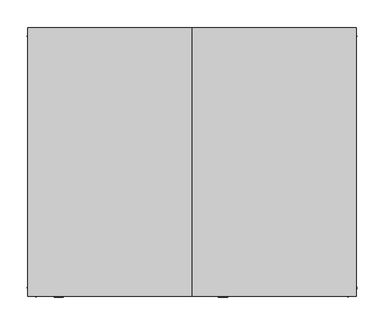
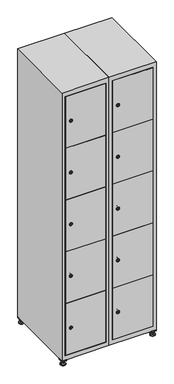
"""IFC4 building model written with IfcOpenShell, lengths in millimetres: furniture geometry."""

from ifc_helpers import new_model, si_unit, point, frame, frame_2d, origin, origin_with_axes, place, context, project, spatial, polyline, circle_curve, trimmed, segment, composite_curve, outline, extrude, faceted_brep, source, transform, mapped, element, save
from ifc_brep_helpers import plane_surface, revolved_surface, advanced_brep


def furniture_c03686c6(model_context):
    return source(origin(), model_context, "Body", "SolidModel", [
        extrude(outline(polyline([(400.0, 245.0), (400.0, 215.0), (370.0, 215.0), (370.0, 245.0), (400.0, 245.0)]), holes=[polyline([(398.0, 243.0), (372.0, 243.0), (372.0, 217.0), (398.0, 217.0), (398.0, 243.0)])]), frame((0.0, 0.0, 28.5), z_axis=(0.0, 0.0, 1.0), x_axis=(1.0, 0.0, 0.0)), (0.0, 0.0, 1.0), 6.5),
        extrude(outline(polyline([(370.0, -245.0), (370.0, -215.0), (400.0, -215.0), (400.0, -245.0), (370.0, -245.0)]), holes=[polyline([(372.0, -243.0), (398.0, -243.0), (398.0, -217.0), (372.0, -217.0), (372.0, -243.0)])]), frame((0.0, 0.0, 28.5), z_axis=(0.0, 0.0, 1.0), x_axis=(1.0, 0.0, 0.0)), (0.0, 0.0, 1.0), 6.5),
        extrude(outline(polyline([(-170.0, 245.0), (-170.0, 215.0), (-200.0, 215.0), (-200.0, 245.0), (-170.0, 245.0)]), holes=[polyline([(-172.0, 243.0), (-198.0, 243.0), (-198.0, 217.0), (-172.0, 217.0), (-172.0, 243.0)])]), frame((0.0, 0.0, 28.5), z_axis=(0.0, 0.0, 1.0), x_axis=(1.0, 0.0, 0.0)), (0.0, 0.0, 1.0), 6.5),
        extrude(outline(polyline([(-170.0, -215.0), (-170.0, -245.0), (-200.0, -245.0), (-200.0, -215.0), (-170.0, -215.0)]), holes=[polyline([(-198.0, -243.0), (-172.0, -243.0), (-172.0, -217.0), (-198.0, -217.0), (-198.0, -243.0)])]), frame((0.0, 0.0, 28.5), z_axis=(0.0, 0.0, 1.0), x_axis=(1.0, 0.0, 0.0)), (0.0, 0.0, 1.0), 6.5),
        extrude(outline(composite_curve([segment(trimmed(circle_curve(frame_2d((-185.0, 230.0)), 5.0), [point((-180.0, 230.0))], [point((-190.0, 230.0))], False, "CARTESIAN"), True, "CONTINUOUS"), segment(trimmed(circle_curve(frame_2d((-185.0, 230.0)), 5.0), [point((-190.0, 230.0))], [point((-180.0, 230.0))], False, "CARTESIAN"), True, "CONTINUOUS")], self_intersect=False)), frame((0.0, 0.0, 19.6), z_axis=(0.0, 0.0, 1.0), x_axis=(1.0, 0.0, 0.0)), (0.0, 0.0, 1.0), 15.4),
        extrude(outline(composite_curve([segment(trimmed(circle_curve(frame_2d((-185.0, -230.0)), 5.0), [point((-180.0, -230.0))], [point((-190.0, -230.0))], False, "CARTESIAN"), True, "CONTINUOUS"), segment(trimmed(circle_curve(frame_2d((-185.0, -230.0)), 5.0), [point((-190.0, -230.0))], [point((-180.0, -230.0))], False, "CARTESIAN"), True, "CONTINUOUS")], self_intersect=False)), frame((0.0, 0.0, 19.6), z_axis=(0.0, 0.0, 1.0), x_axis=(1.0, 0.0, 0.0)), (0.0, 0.0, 1.0), 15.4),
        extrude(outline(composite_curve([segment(trimmed(circle_curve(frame_2d((385.0, 230.0)), 5.0), [point((390.0, 230.0))], [point((380.0, 230.0))], False, "CARTESIAN"), True, "CONTINUOUS"), segment(trimmed(circle_curve(frame_2d((385.0, 230.0)), 5.0), [point((380.0, 230.0))], [point((390.0, 230.0))], False, "CARTESIAN"), True, "CONTINUOUS")], self_intersect=False)), frame((0.0, 0.0, 19.6), z_axis=(0.0, 0.0, 1.0), x_axis=(1.0, 0.0, 0.0)), (0.0, 0.0, 1.0), 15.4),
        extrude(outline(polyline([(373.4529946, 230.0), (379.2264973, 240.0), (390.7735027, 240.0), (396.5470054, 230.0), (390.7735027, 220.0), (379.2264973, 220.0), (373.4529946, 230.0)])), frame((0.0, 0.0, 13.6), z_axis=(0.0, 0.0, 1.0), x_axis=(1.0, 0.0, 0.0)), (0.0, 0.0, 1.0), 6.0),
        extrude(outline(composite_curve([segment(trimmed(circle_curve(frame_2d((385.0, -230.0)), 5.0), [point((390.0, -230.0))], [point((380.0, -230.0))], False, "CARTESIAN"), True, "CONTINUOUS"), segment(trimmed(circle_curve(frame_2d((385.0, -230.0)), 5.0), [point((380.0, -230.0))], [point((390.0, -230.0))], False, "CARTESIAN"), True, "CONTINUOUS")], self_intersect=False)), frame((0.0, 0.0, 19.6), z_axis=(0.0, 0.0, 1.0), x_axis=(1.0, 0.0, 0.0)), (0.0, 0.0, 1.0), 15.4),
        extrude(outline(polyline([(373.4529946, -230.0), (379.2264973, -220.0), (390.7735027, -220.0), (396.5470054, -230.0), (390.7735027, -240.0), (379.2264973, -240.0), (373.4529946, -230.0)])), frame((0.0, 0.0, 13.6), z_axis=(0.0, 0.0, 1.0), x_axis=(1.0, 0.0, 0.0)), (0.0, 0.0, 1.0), 6.0),
        extrude(outline(composite_curve([segment(trimmed(circle_curve(frame_2d((385.0, 230.0)), 5.0), [point((390.0, 230.0))], [point((380.0, 230.0))], False, "CARTESIAN"), True, "CONTINUOUS"), segment(trimmed(circle_curve(frame_2d((385.0, 230.0)), 5.0), [point((380.0, 230.0))], [point((390.0, 230.0))], False, "CARTESIAN"), True, "CONTINUOUS")], self_intersect=False)), frame((0.0, 0.0, 12.1), z_axis=(0.0, 0.0, 1.0), x_axis=(1.0, 0.0, 0.0)), (0.0, 0.0, 1.0), 1.5),
        extrude(outline(composite_curve([segment(trimmed(circle_curve(frame_2d((385.0, -230.0)), 5.0), [point((390.0, -230.0))], [point((380.0, -230.0))], False, "CARTESIAN"), True, "CONTINUOUS"), segment(trimmed(circle_curve(frame_2d((385.0, -230.0)), 5.0), [point((380.0, -230.0))], [point((390.0, -230.0))], False, "CARTESIAN"), True, "CONTINUOUS")], self_intersect=False)), frame((0.0, 0.0, 12.1), z_axis=(0.0, 0.0, 1.0), x_axis=(1.0, 0.0, 0.0)), (0.0, 0.0, 1.0), 1.5),
        extrude(outline(polyline([(-196.5470054, 230.0), (-190.7735027, 240.0), (-179.2264973, 240.0), (-173.4529946, 230.0), (-179.2264973, 220.0), (-190.7735027, 220.0), (-196.5470054, 230.0)])), frame((0.0, 0.0, 13.6), z_axis=(0.0, 0.0, 1.0), x_axis=(1.0, 0.0, 0.0)), (0.0, 0.0, 1.0), 6.0),
        extrude(outline(polyline([(-196.5470054, -230.0), (-190.7735027, -220.0), (-179.2264973, -220.0), (-173.4529946, -230.0), (-179.2264973, -240.0), (-190.7735027, -240.0), (-196.5470054, -230.0)])), frame((0.0, 0.0, 13.6), z_axis=(0.0, 0.0, 1.0), x_axis=(1.0, 0.0, 0.0)), (0.0, 0.0, 1.0), 6.0),
        extrude(outline(composite_curve([segment(trimmed(circle_curve(frame_2d((-185.0, 230.0)), 5.0), [point((-185.0, 235.0))], [point((-185.0, 225.0))], False, "CARTESIAN"), True, "CONTINUOUS"), segment(trimmed(circle_curve(frame_2d((-185.0, 230.0)), 5.0), [point((-185.0, 225.0))], [point((-185.0, 235.0))], False, "CARTESIAN"), True, "CONTINUOUS")], self_intersect=False)), frame((0.0, 0.0, 12.1), z_axis=(0.0, 0.0, 1.0), x_axis=(1.0, 0.0, 0.0)), (0.0, 0.0, 1.0), 1.5),
        extrude(outline(composite_curve([segment(trimmed(circle_curve(frame_2d((-185.0, -230.0)), 5.0), [point((-180.0, -230.0))], [point((-190.0, -230.0))], False, "CARTESIAN"), True, "CONTINUOUS"), segment(trimmed(circle_curve(frame_2d((-185.0, -230.0)), 5.0), [point((-190.0, -230.0))], [point((-180.0, -230.0))], False, "CARTESIAN"), True, "CONTINUOUS")], self_intersect=False)), frame((0.0, 0.0, 12.1), z_axis=(0.0, 0.0, 1.0), x_axis=(1.0, 0.0, 0.0)), (0.0, 0.0, 1.0), 1.5),
        extrude(outline(composite_curve([segment(trimmed(circle_curve(frame_2d((385.0, 230.0)), 15.75), [point((400.75, 230.0))], [point((369.25, 230.0))], False, "CARTESIAN"), True, "CONTINUOUS"), segment(trimmed(circle_curve(frame_2d((385.0, 230.0)), 15.75), [point((369.25, 230.0))], [point((400.75, 230.0))], False, "CARTESIAN"), True, "CONTINUOUS")], self_intersect=False)), origin_with_axes(), (0.0, 0.0, 1.0), 5.1),
        extrude(outline(composite_curve([segment(trimmed(circle_curve(frame_2d((385.0, -230.0)), 15.75), [point((385.0, -214.25))], [point((385.0, -245.75))], False, "CARTESIAN"), True, "CONTINUOUS"), segment(trimmed(circle_curve(frame_2d((385.0, -230.0)), 15.75), [point((385.0, -245.75))], [point((385.0, -214.25))], False, "CARTESIAN"), True, "CONTINUOUS")], self_intersect=False)), origin_with_axes(), (0.0, 0.0, 1.0), 5.1),
        extrude(outline(composite_curve([segment(trimmed(circle_curve(frame_2d((-185.0, -230.0)), 15.75), [point((-169.25, -230.0))], [point((-200.75, -230.0))], False, "CARTESIAN"), True, "CONTINUOUS"), segment(trimmed(circle_curve(frame_2d((-185.0, -230.0)), 15.75), [point((-200.75, -230.0))], [point((-169.25, -230.0))], False, "CARTESIAN"), True, "CONTINUOUS")], self_intersect=False)), origin_with_axes(), (0.0, 0.0, 1.0), 5.1),
        extrude(outline(composite_curve([segment(trimmed(circle_curve(frame_2d((-185.0, 230.0)), 15.75), [point((-169.25, 230.0))], [point((-200.75, 230.0))], False, "CARTESIAN"), True, "CONTINUOUS"), segment(trimmed(circle_curve(frame_2d((-185.0, 230.0)), 15.75), [point((-200.75, 230.0))], [point((-169.25, 230.0))], False, "CARTESIAN"), True, "CONTINUOUS")], self_intersect=False)), origin_with_axes(), (0.0, 0.0, 1.0), 5.1),
        advanced_brep(
        [(-185.0, 245.75, 5.1), (-185.0, 214.25, 5.1), (-185.0, 239.5, 12.1), (-185.0, 220.5, 12.1)],
        [
            (0, 1, circle_curve(frame((-185.0, 230.0, 5.1), z_axis=(0.0, 0.0, -1.0), x_axis=(0.0, 1.0, 0.0)), 15.75)),
            (1, 0, circle_curve(frame((-185.0, 230.0, 5.1), z_axis=(0.0, 0.0, -1.0), x_axis=(0.0, -1.0, 0.0)), 15.75)),
            (2, 3, circle_curve(frame((-185.0, 230.0, 12.1), z_axis=(0.0, 0.0, 1.0), x_axis=(0.0, -1.0, 0.0)), 9.5)),
            (3, 2, circle_curve(frame((-185.0, 230.0, 12.1), z_axis=(0.0, 0.0, 1.0), x_axis=(0.0, 1.0, 0.0)), 9.5)),
            (3, 1),
            (0, 2),
        ],
        [
            plane_surface(frame((-185.0, 230.0, 5.1), z_axis=(0.0, 0.0, -1.0), x_axis=(1.0, 0.0, 0.0))),
            plane_surface(frame((-185.0, 230.0, 12.1), z_axis=(0.0, 0.0, 1.0), x_axis=(1.0, 0.0, 0.0))),
            revolved_surface(polyline([(-185.0, 220.5, 12.099999999999998), (-185.0, 214.25, 5.099999999999998)]), (-185.0, 230.0, 22.74), (0.0, 0.0, -1.0)),
            revolved_surface(polyline([(-185.0, 239.5, 12.099999999999998), (-185.0, 245.75, 5.099999999999998)]), (-185.0, 230.0, 22.74), (0.0, 0.0, -1.0)),
        ],
        [
            (0, [[1, 2]]),
            (1, [[3, 4]]),
            (2, [[-4, 5, -1, 6]]),
            (3, [[-3, -6, -2, -5]]),
        ],
    ),
        advanced_brep(
        [(385.0, 245.75, 5.1), (385.0, 214.25, 5.1), (385.0, 239.5, 12.1), (385.0, 220.5, 12.1)],
        [
            (0, 1, circle_curve(frame((385.0, 230.0, 5.1), z_axis=(0.0, 0.0, -1.0), x_axis=(0.0, 1.0, 0.0)), 15.75)),
            (1, 0, circle_curve(frame((385.0, 230.0, 5.1), z_axis=(0.0, 0.0, -1.0), x_axis=(0.0, -1.0, 0.0)), 15.75)),
            (2, 3, circle_curve(frame((385.0, 230.0, 12.1), z_axis=(0.0, 0.0, 1.0), x_axis=(0.0, -1.0, 0.0)), 9.5)),
            (3, 2, circle_curve(frame((385.0, 230.0, 12.1), z_axis=(0.0, 0.0, 1.0), x_axis=(0.0, 1.0, 0.0)), 9.5)),
            (3, 1),
            (0, 2),
        ],
        [
            plane_surface(frame((385.0, 230.0, 5.1), z_axis=(0.0, 0.0, -1.0), x_axis=(1.0, 0.0, 0.0))),
            plane_surface(frame((385.0, 230.0, 12.1), z_axis=(0.0, 0.0, 1.0), x_axis=(1.0, 0.0, 0.0))),
            revolved_surface(polyline([(385.0, 220.5, 12.099999999999998), (385.0, 214.25, 5.099999999999998)]), (385.0, 230.0, 22.74), (0.0, 0.0, -1.0)),
            revolved_surface(polyline([(385.0, 239.5, 12.099999999999998), (385.0, 245.75, 5.099999999999998)]), (385.0, 230.0, 22.74), (0.0, 0.0, -1.0)),
        ],
        [
            (0, [[1, 2]]),
            (1, [[3, 4]]),
            (2, [[-4, 5, -1, 6]]),
            (3, [[-3, -6, -2, -5]]),
        ],
    ),
        advanced_brep(
        [(394.5, -230.0, 12.1), (375.5, -230.0, 12.1), (400.75, -230.0, 5.1), (369.25, -230.0, 5.1)],
        [
            (0, 1, circle_curve(frame((385.0, -230.0, 12.1), z_axis=(0.0, 0.0, 1.0), x_axis=(1.0, 0.0, 0.0)), 9.5)),
            (1, 0, circle_curve(frame((385.0, -230.0, 12.1), z_axis=(0.0, 0.0, 1.0), x_axis=(-1.0, 0.0, 0.0)), 9.5)),
            (2, 3, circle_curve(frame((385.0, -230.0, 5.1), z_axis=(0.0, 0.0, -1.0), x_axis=(-1.0, 0.0, 0.0)), 15.75)),
            (3, 2, circle_curve(frame((385.0, -230.0, 5.1), z_axis=(0.0, 0.0, -1.0), x_axis=(1.0, 0.0, 0.0)), 15.75)),
            (3, 1),
            (0, 2),
        ],
        [
            plane_surface(frame((385.0, -230.0, 12.1), z_axis=(0.0, 0.0, 1.0), x_axis=(0.0, 1.0, 0.0))),
            plane_surface(frame((385.0, -230.0, 5.1), z_axis=(0.0, 0.0, -1.0), x_axis=(0.0, 1.0, 0.0))),
            revolved_surface(polyline([(394.5, -230.0, 12.099999999999998), (400.75, -230.0, 5.099999999999998)]), (385.0, -230.0, 22.74), (0.0, 0.0, -1.0)),
            revolved_surface(polyline([(375.5, -230.0, 12.099999999999998), (369.25, -230.0, 5.099999999999998)]), (385.0, -230.0, 22.74), (0.0, 0.0, -1.0)),
        ],
        [
            (0, [[1, 2]]),
            (1, [[3, 4]]),
            (2, [[-4, 5, -1, 6]]),
            (3, [[-3, -6, -2, -5]]),
        ],
    ),
        advanced_brep(
        [(-175.5, -230.0, 12.1), (-194.5, -230.0, 12.1), (-169.25, -230.0, 5.1), (-200.75, -230.0, 5.1)],
        [
            (0, 1, circle_curve(frame((-185.0, -230.0, 12.1), z_axis=(0.0, 0.0, 1.0), x_axis=(1.0, 0.0, 0.0)), 9.5)),
            (1, 0, circle_curve(frame((-185.0, -230.0, 12.1), z_axis=(0.0, 0.0, 1.0), x_axis=(-1.0, 0.0, 0.0)), 9.5)),
            (2, 3, circle_curve(frame((-185.0, -230.0, 5.1), z_axis=(0.0, 0.0, -1.0), x_axis=(-1.0, 0.0, 0.0)), 15.75)),
            (3, 2, circle_curve(frame((-185.0, -230.0, 5.1), z_axis=(0.0, 0.0, -1.0), x_axis=(1.0, 0.0, 0.0)), 15.75)),
            (3, 1),
            (0, 2),
        ],
        [
            plane_surface(frame((-185.0, -230.0, 12.1), z_axis=(0.0, 0.0, 1.0), x_axis=(0.0, 1.0, 0.0))),
            plane_surface(frame((-185.0, -230.0, 5.1), z_axis=(0.0, 0.0, -1.0), x_axis=(0.0, 1.0, 0.0))),
            revolved_surface(polyline([(-175.5, -230.0, 12.099999999999998), (-169.25, -230.0, 5.099999999999998)]), (-185.0, -230.0, 22.74), (0.0, 0.0, -1.0)),
            revolved_surface(polyline([(-194.5, -230.0, 12.099999999999998), (-200.75, -230.0, 5.099999999999998)]), (-185.0, -230.0, 22.74), (0.0, 0.0, -1.0)),
        ],
        [
            (0, [[1, 2]]),
            (1, [[3, 4]]),
            (2, [[-4, 5, -1, 6]]),
            (3, [[-3, -6, -2, -5]]),
        ],
    ),
        extrude(outline(composite_curve([segment(trimmed(circle_curve(frame_2d((239.96, 129.6010534)), 7.0), [point((246.96, 129.6010534))], [point((232.96, 129.6010534))], False, "CARTESIAN"), True, "CONTINUOUS"), segment(polyline([(232.96, 129.6010534), (232.96, 157.6010534)]), True, "CONTINUOUS"), segment(trimmed(circle_curve(frame_2d((239.96, 157.6010534)), 7.0), [point((232.96, 157.6010534))], [point((246.96, 157.6010534))], False, "CARTESIAN"), True, "CONTINUOUS"), segment(polyline([(246.96, 157.6010534), (246.96, 129.6010534)]), True, "CONTINUOUS")], self_intersect=False)), frame((0.0, -227.0, 0.0), z_axis=(0.0, 1.0, 0.0), x_axis=(0.0, 0.0, 1.0)), (0.0, 0.0, 1.0), 2.0),
        advanced_brep(
        [(164.9, -247.2, 239.96), (147.9, -247.2, 239.96), (151.4, -247.2, 238.71), (151.4, -247.2, 241.21), (161.4, -247.2, 241.21), (161.4, -247.2, 238.71), (166.9, -245.0, 239.96), (145.9, -245.0, 239.96), (151.4, -245.0, 241.21), (151.4, -245.0, 238.71), (161.4, -245.0, 238.71), (161.4, -245.0, 241.21)],
        [
            (0, 1, circle_curve(frame((156.4, -247.2, 239.96), z_axis=(0.0, -1.0, 0.0), x_axis=(1.0, 0.0, 0.0)), 8.5)),
            (1, 0, circle_curve(frame((156.4, -247.2, 239.96), z_axis=(0.0, -1.0, 0.0), x_axis=(-1.0, 0.0, 0.0)), 8.5)),
            (2, 3),
            (3, 4),
            (4, 5),
            (5, 2),
            (6, 7, circle_curve(frame((156.4, -245.0, 239.96), z_axis=(0.0, 1.0, 0.0), x_axis=(-1.0, 0.0, 0.0)), 10.5)),
            (7, 6, circle_curve(frame((156.4, -245.0, 239.96), z_axis=(0.0, 1.0, 0.0), x_axis=(1.0, 0.0, 0.0)), 10.5)),
            (8, 9),
            (9, 10),
            (10, 11),
            (11, 8),
            (0, 6),
            (7, 1),
            (8, 3),
            (2, 9),
            (11, 4),
            (10, 5),
        ],
        [
            plane_surface(frame((156.4, -247.2, 239.96), z_axis=(0.0, -1.0, 0.0), x_axis=(0.0, 0.0, 1.0))),
            plane_surface(frame((156.4, -245.0, 239.96), z_axis=(0.0, 1.0, 0.0), x_axis=(0.0, 0.0, 1.0))),
            revolved_surface(polyline([(164.9, -247.2, 239.96), (166.9, -245.0, 239.96)]), (156.4, -256.55, 239.96), (0.0, 1.0, 0.0)),
            revolved_surface(polyline([(147.9, -247.2, 239.96), (145.9, -245.0, 239.96)]), (156.4, -256.55, 239.96), (0.0, 1.0, 0.0)),
            plane_surface(frame((151.4, -245.0, 238.71), z_axis=(1.0, 0.0, 0.0), x_axis=(0.0, -1.0, 0.0))),
            plane_surface(frame((151.4, -245.0, 241.21), z_axis=(0.0, 0.0, -1.0), x_axis=(0.0, -1.0, 0.0))),
            plane_surface(frame((161.4, -245.0, 241.21), z_axis=(-1.0, 0.0, 0.0), x_axis=(0.0, -1.0, 0.0))),
            plane_surface(frame((161.4, -245.0, 238.71), z_axis=(0.0, 0.0, 1.0), x_axis=(0.0, -1.0, 0.0))),
        ],
        [
            (0, [[1, 2], [3, 4, 5, 6]]),
            (1, [[7, 8], [9, 10, 11, 12]]),
            (2, [[-1, 13, -8, 14]]),
            (3, [[-2, -14, -7, -13]]),
            (4, [[15, -3, 16, -9]]),
            (5, [[-15, -12, 17, -4]]),
            (6, [[-17, -11, 18, -5]]),
            (7, [[-16, -6, -18, -10]]),
        ],
    ),
        extrude(outline(composite_curve([segment(trimmed(circle_curve(frame_2d((587.48, 129.6010534)), 7.0), [point((594.48, 129.6010534))], [point((580.48, 129.6010534))], False, "CARTESIAN"), True, "CONTINUOUS"), segment(polyline([(580.48, 129.6010534), (580.48, 157.6010534)]), True, "CONTINUOUS"), segment(trimmed(circle_curve(frame_2d((587.48, 157.6010534)), 7.0), [point((580.48, 157.6010534))], [point((594.48, 157.6010534))], False, "CARTESIAN"), True, "CONTINUOUS"), segment(polyline([(594.48, 157.6010534), (594.48, 129.6010534)]), True, "CONTINUOUS")], self_intersect=False)), frame((0.0, -227.0, 0.0), z_axis=(0.0, 1.0, 0.0), x_axis=(0.0, 0.0, 1.0)), (0.0, 0.0, 1.0), 2.0),
        advanced_brep(
        [(164.9, -247.2, 587.48), (147.9, -247.2, 587.48), (151.4, -247.2, 586.23), (151.4, -247.2, 588.73), (161.4, -247.2, 588.73), (161.4, -247.2, 586.23), (166.9, -245.0, 587.48), (145.9, -245.0, 587.48), (151.4, -245.0, 588.73), (151.4, -245.0, 586.23), (161.4, -245.0, 586.23), (161.4, -245.0, 588.73)],
        [
            (0, 1, circle_curve(frame((156.4, -247.2, 587.48), z_axis=(0.0, -1.0, 0.0), x_axis=(1.0, 0.0, 0.0)), 8.5)),
            (1, 0, circle_curve(frame((156.4, -247.2, 587.48), z_axis=(0.0, -1.0, 0.0), x_axis=(-1.0, 0.0, 0.0)), 8.5)),
            (2, 3),
            (3, 4),
            (4, 5),
            (5, 2),
            (6, 7, circle_curve(frame((156.4, -245.0, 587.48), z_axis=(0.0, 1.0, 0.0), x_axis=(-1.0, 0.0, 0.0)), 10.5)),
            (7, 6, circle_curve(frame((156.4, -245.0, 587.48), z_axis=(0.0, 1.0, 0.0), x_axis=(1.0, 0.0, 0.0)), 10.5)),
            (8, 9),
            (9, 10),
            (10, 11),
            (11, 8),
            (0, 6),
            (7, 1),
            (8, 3),
            (2, 9),
            (11, 4),
            (10, 5),
        ],
        [
            plane_surface(frame((156.4, -247.2, 587.48), z_axis=(0.0, -1.0, 0.0), x_axis=(0.0, 0.0, 1.0))),
            plane_surface(frame((156.4, -245.0, 587.48), z_axis=(0.0, 1.0, 0.0), x_axis=(0.0, 0.0, 1.0))),
            revolved_surface(polyline([(164.9, -247.2, 587.48), (166.9, -245.0, 587.48)]), (156.4, -256.55, 587.48), (0.0, 1.0, 0.0)),
            revolved_surface(polyline([(147.9, -247.2, 587.48), (145.9, -245.0, 587.48)]), (156.4, -256.55, 587.48), (0.0, 1.0, 0.0)),
            plane_surface(frame((151.4, -245.0, 586.23), z_axis=(1.0, 0.0, 0.0), x_axis=(0.0, -1.0, 0.0))),
            plane_surface(frame((151.4, -245.0, 588.73), z_axis=(0.0, 0.0, -1.0), x_axis=(0.0, -1.0, 0.0))),
            plane_surface(frame((161.4, -245.0, 588.73), z_axis=(-1.0, 0.0, 0.0), x_axis=(0.0, -1.0, 0.0))),
            plane_surface(frame((161.4, -245.0, 586.23), z_axis=(0.0, 0.0, 1.0), x_axis=(0.0, -1.0, 0.0))),
        ],
        [
            (0, [[1, 2], [3, 4, 5, 6]]),
            (1, [[7, 8], [9, 10, 11, 12]]),
            (2, [[-1, 13, -8, 14]]),
            (3, [[-2, -14, -7, -13]]),
            (4, [[15, -3, 16, -9]]),
            (5, [[-15, -12, 17, -4]]),
            (6, [[-17, -11, 18, -5]]),
            (7, [[-16, -6, -18, -10]]),
        ],
    ),
        extrude(outline(composite_curve([segment(trimmed(circle_curve(frame_2d((935.0, 129.6010534)), 7.0), [point((942.0, 129.6010534))], [point((928.0, 129.6010534))], False, "CARTESIAN"), True, "CONTINUOUS"), segment(polyline([(928.0, 129.6010534), (928.0, 157.6010534)]), True, "CONTINUOUS"), segment(trimmed(circle_curve(frame_2d((935.0, 157.6010534)), 7.0), [point((928.0, 157.6010534))], [point((942.0, 157.6010534))], False, "CARTESIAN"), True, "CONTINUOUS"), segment(polyline([(942.0, 157.6010534), (942.0, 129.6010534)]), True, "CONTINUOUS")], self_intersect=False)), frame((0.0, -227.0, 0.0), z_axis=(0.0, 1.0, 0.0), x_axis=(0.0, 0.0, 1.0)), (0.0, 0.0, 1.0), 2.0),
        advanced_brep(
        [(164.9, -247.2, 935.0), (147.9, -247.2, 935.0), (151.4, -247.2, 933.75), (151.4, -247.2, 936.25), (161.4, -247.2, 936.25), (161.4, -247.2, 933.75), (166.9, -245.0, 935.0), (145.9, -245.0, 935.0), (151.4, -245.0, 936.25), (151.4, -245.0, 933.75), (161.4, -245.0, 933.75), (161.4, -245.0, 936.25)],
        [
            (0, 1, circle_curve(frame((156.4, -247.2, 935.0), z_axis=(0.0, -1.0, 0.0), x_axis=(1.0, 0.0, 0.0)), 8.5)),
            (1, 0, circle_curve(frame((156.4, -247.2, 935.0), z_axis=(0.0, -1.0, 0.0), x_axis=(-1.0, 0.0, 0.0)), 8.5)),
            (2, 3),
            (3, 4),
            (4, 5),
            (5, 2),
            (6, 7, circle_curve(frame((156.4, -245.0, 935.0), z_axis=(0.0, 1.0, 0.0), x_axis=(-1.0, 0.0, 0.0)), 10.5)),
            (7, 6, circle_curve(frame((156.4, -245.0, 935.0), z_axis=(0.0, 1.0, 0.0), x_axis=(1.0, 0.0, 0.0)), 10.5)),
            (8, 9),
            (9, 10),
            (10, 11),
            (11, 8),
            (0, 6),
            (7, 1),
            (8, 3),
            (2, 9),
            (11, 4),
            (10, 5),
        ],
        [
            plane_surface(frame((156.4, -247.2, 935.0), z_axis=(0.0, -1.0, 0.0), x_axis=(0.0, 0.0, 1.0))),
            plane_surface(frame((156.4, -245.0, 935.0), z_axis=(0.0, 1.0, 0.0), x_axis=(0.0, 0.0, 1.0))),
            revolved_surface(polyline([(164.9, -247.2, 935.0), (166.9, -245.0, 935.0)]), (156.4, -256.55, 935.0), (0.0, 1.0, 0.0)),
            revolved_surface(polyline([(147.9, -247.2, 935.0), (145.9, -245.0, 935.0)]), (156.4, -256.55, 935.0), (0.0, 1.0, 0.0)),
            plane_surface(frame((151.4, -245.0, 933.75), z_axis=(1.0, 0.0, 0.0), x_axis=(0.0, -1.0, 0.0))),
            plane_surface(frame((151.4, -245.0, 936.25), z_axis=(0.0, 0.0, -1.0), x_axis=(0.0, -1.0, 0.0))),
            plane_surface(frame((161.4, -245.0, 936.25), z_axis=(-1.0, 0.0, 0.0), x_axis=(0.0, -1.0, 0.0))),
            plane_surface(frame((161.4, -245.0, 933.75), z_axis=(0.0, 0.0, 1.0), x_axis=(0.0, -1.0, 0.0))),
        ],
        [
            (0, [[1, 2], [3, 4, 5, 6]]),
            (1, [[7, 8], [9, 10, 11, 12]]),
            (2, [[-1, 13, -8, 14]]),
            (3, [[-2, -14, -7, -13]]),
            (4, [[15, -3, 16, -9]]),
            (5, [[-15, -12, 17, -4]]),
            (6, [[-17, -11, 18, -5]]),
            (7, [[-16, -6, -18, -10]]),
        ],
    ),
        extrude(outline(composite_curve([segment(trimmed(circle_curve(frame_2d((1282.52, 129.6010534)), 7.0), [point((1289.52, 129.6010534))], [point((1275.52, 129.6010534))], False, "CARTESIAN"), True, "CONTINUOUS"), segment(polyline([(1275.52, 129.6010534), (1275.52, 157.6010534)]), True, "CONTINUOUS"), segment(trimmed(circle_curve(frame_2d((1282.52, 157.6010534)), 7.0), [point((1275.52, 157.6010534))], [point((1289.52, 157.6010534))], False, "CARTESIAN"), True, "CONTINUOUS"), segment(polyline([(1289.52, 157.6010534), (1289.52, 129.6010534)]), True, "CONTINUOUS")], self_intersect=False)), frame((0.0, -227.0, 0.0), z_axis=(0.0, 1.0, 0.0), x_axis=(0.0, 0.0, 1.0)), (0.0, 0.0, 1.0), 2.0),
        advanced_brep(
        [(164.9, -247.2, 1282.52), (147.9, -247.2, 1282.52), (151.4, -247.2, 1281.27), (151.4, -247.2, 1283.77), (161.4, -247.2, 1283.77), (161.4, -247.2, 1281.27), (166.9, -245.0, 1282.52), (145.9, -245.0, 1282.52), (151.4, -245.0, 1283.77), (151.4, -245.0, 1281.27), (161.4, -245.0, 1281.27), (161.4, -245.0, 1283.77)],
        [
            (0, 1, circle_curve(frame((156.4, -247.2, 1282.52), z_axis=(0.0, -1.0, 0.0), x_axis=(1.0, 0.0, 0.0)), 8.5)),
            (1, 0, circle_curve(frame((156.4, -247.2, 1282.52), z_axis=(0.0, -1.0, 0.0), x_axis=(-1.0, 0.0, 0.0)), 8.5)),
            (2, 3),
            (3, 4),
            (4, 5),
            (5, 2),
            (6, 7, circle_curve(frame((156.4, -245.0, 1282.52), z_axis=(0.0, 1.0, 0.0), x_axis=(-1.0, 0.0, 0.0)), 10.5)),
            (7, 6, circle_curve(frame((156.4, -245.0, 1282.52), z_axis=(0.0, 1.0, 0.0), x_axis=(1.0, 0.0, 0.0)), 10.5)),
            (8, 9),
            (9, 10),
            (10, 11),
            (11, 8),
            (0, 6),
            (7, 1),
            (8, 3),
            (2, 9),
            (11, 4),
            (10, 5),
        ],
        [
            plane_surface(frame((156.4, -247.2, 1282.52), z_axis=(0.0, -1.0, 0.0), x_axis=(0.0, 0.0, 1.0))),
            plane_surface(frame((156.4, -245.0, 1282.52), z_axis=(0.0, 1.0, 0.0), x_axis=(0.0, 0.0, 1.0))),
            revolved_surface(polyline([(164.9, -247.2, 1282.52), (166.9, -245.0, 1282.52)]), (156.4, -256.55, 1282.52), (0.0, 1.0, 0.0)),
            revolved_surface(polyline([(147.9, -247.2, 1282.52), (145.9, -245.0, 1282.52)]), (156.4, -256.55, 1282.52), (0.0, 1.0, 0.0)),
            plane_surface(frame((151.4, -245.0, 1281.27), z_axis=(1.0, 0.0, 0.0), x_axis=(0.0, -1.0, 0.0))),
            plane_surface(frame((151.4, -245.0, 1283.77), z_axis=(0.0, 0.0, -1.0), x_axis=(0.0, -1.0, 0.0))),
            plane_surface(frame((161.4, -245.0, 1283.77), z_axis=(-1.0, 0.0, 0.0), x_axis=(0.0, -1.0, 0.0))),
            plane_surface(frame((161.4, -245.0, 1281.27), z_axis=(0.0, 0.0, 1.0), x_axis=(0.0, -1.0, 0.0))),
        ],
        [
            (0, [[1, 2], [3, 4, 5, 6]]),
            (1, [[7, 8], [9, 10, 11, 12]]),
            (2, [[-1, 13, -8, 14]]),
            (3, [[-2, -14, -7, -13]]),
            (4, [[15, -3, 16, -9]]),
            (5, [[-15, -12, 17, -4]]),
            (6, [[-17, -11, 18, -5]]),
            (7, [[-16, -6, -18, -10]]),
        ],
    ),
        extrude(outline(composite_curve([segment(trimmed(circle_curve(frame_2d((1630.04, 129.6010534)), 7.0), [point((1637.04, 129.6010534))], [point((1623.04, 129.6010534))], False, "CARTESIAN"), True, "CONTINUOUS"), segment(polyline([(1623.04, 129.6010534), (1623.04, 157.6010534)]), True, "CONTINUOUS"), segment(trimmed(circle_curve(frame_2d((1630.04, 157.6010534)), 7.0), [point((1623.04, 157.6010534))], [point((1637.04, 157.6010534))], False, "CARTESIAN"), True, "CONTINUOUS"), segment(polyline([(1637.04, 157.6010534), (1637.04, 129.6010534)]), True, "CONTINUOUS")], self_intersect=False)), frame((0.0, -227.0, 0.0), z_axis=(0.0, 1.0, 0.0), x_axis=(0.0, 0.0, 1.0)), (0.0, 0.0, 1.0), 2.0),
        advanced_brep(
        [(164.9, -247.2, 1630.04), (147.9, -247.2, 1630.04), (151.4, -247.2, 1628.79), (151.4, -247.2, 1631.29), (161.4, -247.2, 1631.29), (161.4, -247.2, 1628.79), (166.9, -245.0, 1630.04), (145.9, -245.0, 1630.04), (151.4, -245.0, 1631.29), (151.4, -245.0, 1628.79), (161.4, -245.0, 1628.79), (161.4, -245.0, 1631.29)],
        [
            (0, 1, circle_curve(frame((156.4, -247.2, 1630.04), z_axis=(0.0, -1.0, 0.0), x_axis=(1.0, 0.0, 0.0)), 8.5)),
            (1, 0, circle_curve(frame((156.4, -247.2, 1630.04), z_axis=(0.0, -1.0, 0.0), x_axis=(-1.0, 0.0, 0.0)), 8.5)),
            (2, 3),
            (3, 4),
            (4, 5),
            (5, 2),
            (6, 7, circle_curve(frame((156.4, -245.0, 1630.04), z_axis=(0.0, 1.0, 0.0), x_axis=(-1.0, 0.0, 0.0)), 10.5)),
            (7, 6, circle_curve(frame((156.4, -245.0, 1630.04), z_axis=(0.0, 1.0, 0.0), x_axis=(1.0, 0.0, 0.0)), 10.5)),
            (8, 9),
            (9, 10),
            (10, 11),
            (11, 8),
            (0, 6),
            (7, 1),
            (8, 3),
            (2, 9),
            (11, 4),
            (10, 5),
        ],
        [
            plane_surface(frame((156.4, -247.2, 1630.04), z_axis=(0.0, -1.0, 0.0), x_axis=(0.0, 0.0, 1.0))),
            plane_surface(frame((156.4, -245.0, 1630.04), z_axis=(0.0, 1.0, 0.0), x_axis=(0.0, 0.0, 1.0))),
            revolved_surface(polyline([(164.9, -247.2, 1630.04), (166.9, -245.0, 1630.04)]), (156.4, -256.55, 1630.04), (0.0, 1.0, 0.0)),
            revolved_surface(polyline([(147.9, -247.2, 1630.04), (145.9, -245.0, 1630.04)]), (156.4, -256.55, 1630.04), (0.0, 1.0, 0.0)),
            plane_surface(frame((151.4, -245.0, 1628.79), z_axis=(1.0, 0.0, 0.0), x_axis=(0.0, -1.0, 0.0))),
            plane_surface(frame((151.4, -245.0, 1631.29), z_axis=(0.0, 0.0, -1.0), x_axis=(0.0, -1.0, 0.0))),
            plane_surface(frame((161.4, -245.0, 1631.29), z_axis=(-1.0, 0.0, 0.0), x_axis=(0.0, -1.0, 0.0))),
            plane_surface(frame((161.4, -245.0, 1628.79), z_axis=(0.0, 0.0, 1.0), x_axis=(0.0, -1.0, 0.0))),
        ],
        [
            (0, [[1, 2], [3, 4, 5, 6]]),
            (1, [[7, 8], [9, 10, 11, 12]]),
            (2, [[-1, 13, -8, 14]]),
            (3, [[-2, -14, -7, -13]]),
            (4, [[15, -3, 16, -9]]),
            (5, [[-15, -12, 17, -4]]),
            (6, [[-17, -11, 18, -5]]),
            (7, [[-16, -6, -18, -10]]),
        ],
    ),
        extrude(outline(polyline([(378.6, -227.0), (378.6, -245.0), (121.4, -245.0), (121.4, -227.0), (378.6, -227.0)])), frame((0.0, 0.0, 760.74), z_axis=(0.0, 0.0, 1.0), x_axis=(1.0, 0.0, 0.0)), (0.0, 0.0, 1.0), 348.52),
        extrude(outline(polyline([(378.6, -227.0), (378.6, -245.0), (121.4, -245.0), (121.4, -227.0), (378.6, -227.0)])), frame((0.0, 0.0, 413.22), z_axis=(0.0, 0.0, 1.0), x_axis=(1.0, 0.0, 0.0)), (0.0, 0.0, 1.0), 348.52),
        extrude(outline(polyline([(378.6, -227.0), (378.6, -245.0), (121.4, -245.0), (121.4, -227.0), (378.6, -227.0)])), frame((0.0, 0.0, 1108.26), z_axis=(0.0, 0.0, 1.0), x_axis=(1.0, 0.0, 0.0)), (0.0, 0.0, 1.0), 347.52),
        extrude(outline(polyline([(121.4, -245.0), (121.4, -227.0), (378.6, -227.0), (378.6, -245.0), (121.4, -245.0)])), frame((0.0, 0.0, 1456.78), z_axis=(0.0, 0.0, 1.0), x_axis=(1.0, 0.0, 0.0)), (0.0, 0.0, 1.0), 347.02),
        extrude(outline(polyline([(378.6, -227.0), (378.6, -245.0), (121.4, -245.0), (121.4, -227.0), (378.6, -227.0)])), frame((0.0, 0.0, 66.2), z_axis=(0.0, 0.0, 1.0), x_axis=(1.0, 0.0, 0.0)), (0.0, 0.0, 1.0), 348.02),
        extrude(outline(polyline([(379.6, 242.0), (379.6, -227.0), (120.4, -227.0), (120.4, 242.0), (379.6, 242.0)])), frame((0.0, 0.0, 1446.68), z_axis=(0.0, 0.0, 1.0), x_axis=(1.0, 0.0, 0.0)), (0.0, 0.0, 1.0), 20.4),
        extrude(outline(polyline([(379.6, 242.0), (379.6, -227.0), (120.4, -227.0), (120.4, 242.0), (379.6, 242.0)])), frame((0.0, 0.0, 1098.76), z_axis=(0.0, 0.0, 1.0), x_axis=(1.0, 0.0, 0.0)), (0.0, 0.0, 1.0), 20.4),
        extrude(outline(polyline([(379.6, 242.0), (379.6, -227.0), (120.4, -227.0), (120.4, 242.0), (379.6, 242.0)])), frame((0.0, 0.0, 750.84), z_axis=(0.0, 0.0, 1.0), x_axis=(1.0, 0.0, 0.0)), (0.0, 0.0, 1.0), 20.4),
        extrude(outline(polyline([(120.4, 242.0), (379.6, 242.0), (379.6, -227.0), (120.4, -227.0), (120.4, 242.0)])), frame((0.0, 0.0, 402.92), z_axis=(0.0, 0.0, 1.0), x_axis=(1.0, 0.0, 0.0)), (0.0, 0.0, 1.0), 20.4),
        faceted_brep([(400.0, -245.0, 35.0), (400.0, -245.0, 1835.0), (100.0, -245.0, 1835.0), (100.0, -245.0, 35.0), (379.6, -245.0, 1804.8), (379.6, -245.0, 65.2), (120.4, -245.0, 65.2), (120.4, -245.0, 1804.8), (400.0, 245.0, 35.0), (100.0, 245.0, 35.0), (400.0, 245.0, 1835.0), (100.0, 245.0, 1835.0), (379.6, 242.0, 1804.8), (379.6, 242.0, 65.2), (100.0, 245.0, 1804.8), (120.4, 242.0, 1804.8), (120.4, 242.0, 65.2)], [[[0, 1, 2, 3], [4, 5, 6, 7]], [[8, 0, 3, 9]], [[1, 0, 8, 10]], [[1, 10, 11, 2]], [[4, 12, 13, 5]], [[9, 3, 2, 11, 14]], [[10, 8, 9, 14, 11]], [[12, 15, 16, 13]], [[15, 7, 6, 16]], [[4, 7, 15, 12]], [[6, 5, 13, 16]]]),
        extrude(outline(composite_curve([segment(trimmed(circle_curve(frame_2d((239.96, -170.3989466)), 7.0), [point((246.96, -170.3989466))], [point((232.96, -170.3989466))], False, "CARTESIAN"), True, "CONTINUOUS"), segment(polyline([(232.96, -170.3989466), (232.96, -142.3989466)]), True, "CONTINUOUS"), segment(trimmed(circle_curve(frame_2d((239.96, -142.3989466)), 7.0), [point((232.96, -142.3989466))], [point((246.96, -142.3989466))], False, "CARTESIAN"), True, "CONTINUOUS"), segment(polyline([(246.96, -142.3989466), (246.96, -170.3989466)]), True, "CONTINUOUS")], self_intersect=False)), frame((0.0, -227.0, 0.0), z_axis=(0.0, 1.0, 0.0), x_axis=(0.0, 0.0, 1.0)), (0.0, 0.0, 1.0), 2.0),
        advanced_brep(
        [(-135.1, -247.2, 239.96), (-152.1, -247.2, 239.96), (-148.6, -247.2, 238.71), (-148.6, -247.2, 241.21), (-138.6, -247.2, 241.21), (-138.6, -247.2, 238.71), (-133.1, -245.0, 239.96), (-154.1, -245.0, 239.96), (-148.6, -245.0, 241.21), (-148.6, -245.0, 238.71), (-138.6, -245.0, 238.71), (-138.6, -245.0, 241.21)],
        [
            (0, 1, circle_curve(frame((-143.6, -247.2, 239.96), z_axis=(0.0, -1.0, 0.0), x_axis=(1.0, 0.0, 0.0)), 8.5)),
            (1, 0, circle_curve(frame((-143.6, -247.2, 239.96), z_axis=(0.0, -1.0, 0.0), x_axis=(-1.0, 0.0, 0.0)), 8.5)),
            (2, 3),
            (3, 4),
            (4, 5),
            (5, 2),
            (6, 7, circle_curve(frame((-143.6, -245.0, 239.96), z_axis=(0.0, 1.0, 0.0), x_axis=(-1.0, 0.0, 0.0)), 10.5)),
            (7, 6, circle_curve(frame((-143.6, -245.0, 239.96), z_axis=(0.0, 1.0, 0.0), x_axis=(1.0, 0.0, 0.0)), 10.5)),
            (8, 9),
            (9, 10),
            (10, 11),
            (11, 8),
            (0, 6),
            (7, 1),
            (8, 3),
            (2, 9),
            (11, 4),
            (10, 5),
        ],
        [
            plane_surface(frame((-143.6, -247.2, 239.96), z_axis=(0.0, -1.0, 0.0), x_axis=(0.0, 0.0, 1.0))),
            plane_surface(frame((-143.6, -245.0, 239.96), z_axis=(0.0, 1.0, 0.0), x_axis=(0.0, 0.0, 1.0))),
            revolved_surface(polyline([(-135.1, -247.2, 239.96), (-133.1, -245.0, 239.96)]), (-143.6, -256.55, 239.96), (0.0, 1.0, 0.0)),
            revolved_surface(polyline([(-152.1, -247.2, 239.96), (-154.1, -245.0, 239.96)]), (-143.6, -256.55, 239.96), (0.0, 1.0, 0.0)),
            plane_surface(frame((-148.6, -245.0, 238.71), z_axis=(1.0, 0.0, 0.0), x_axis=(0.0, -1.0, 0.0))),
            plane_surface(frame((-148.6, -245.0, 241.21), z_axis=(0.0, 0.0, -1.0), x_axis=(0.0, -1.0, 0.0))),
            plane_surface(frame((-138.6, -245.0, 241.21), z_axis=(-1.0, 0.0, 0.0), x_axis=(0.0, -1.0, 0.0))),
            plane_surface(frame((-138.6, -245.0, 238.71), z_axis=(0.0, 0.0, 1.0), x_axis=(0.0, -1.0, 0.0))),
        ],
        [
            (0, [[1, 2], [3, 4, 5, 6]]),
            (1, [[7, 8], [9, 10, 11, 12]]),
            (2, [[-1, 13, -8, 14]]),
            (3, [[-2, -14, -7, -13]]),
            (4, [[15, -3, 16, -9]]),
            (5, [[-15, -12, 17, -4]]),
            (6, [[-17, -11, 18, -5]]),
            (7, [[-16, -6, -18, -10]]),
        ],
    ),
        extrude(outline(composite_curve([segment(trimmed(circle_curve(frame_2d((587.48, -170.3989466)), 7.0), [point((594.48, -170.3989466))], [point((580.48, -170.3989466))], False, "CARTESIAN"), True, "CONTINUOUS"), segment(polyline([(580.48, -170.3989466), (580.48, -142.3989466)]), True, "CONTINUOUS"), segment(trimmed(circle_curve(frame_2d((587.48, -142.3989466)), 7.0), [point((580.48, -142.3989466))], [point((594.48, -142.3989466))], False, "CARTESIAN"), True, "CONTINUOUS"), segment(polyline([(594.48, -142.3989466), (594.48, -170.3989466)]), True, "CONTINUOUS")], self_intersect=False)), frame((0.0, -227.0, 0.0), z_axis=(0.0, 1.0, 0.0), x_axis=(0.0, 0.0, 1.0)), (0.0, 0.0, 1.0), 2.0),
        advanced_brep(
        [(-135.1, -247.2, 587.48), (-152.1, -247.2, 587.48), (-148.6, -247.2, 586.23), (-148.6, -247.2, 588.73), (-138.6, -247.2, 588.73), (-138.6, -247.2, 586.23), (-133.1, -245.0, 587.48), (-154.1, -245.0, 587.48), (-148.6, -245.0, 588.73), (-148.6, -245.0, 586.23), (-138.6, -245.0, 586.23), (-138.6, -245.0, 588.73)],
        [
            (0, 1, circle_curve(frame((-143.6, -247.2, 587.48), z_axis=(0.0, -1.0, 0.0), x_axis=(1.0, 0.0, 0.0)), 8.5)),
            (1, 0, circle_curve(frame((-143.6, -247.2, 587.48), z_axis=(0.0, -1.0, 0.0), x_axis=(-1.0, 0.0, 0.0)), 8.5)),
            (2, 3),
            (3, 4),
            (4, 5),
            (5, 2),
            (6, 7, circle_curve(frame((-143.6, -245.0, 587.48), z_axis=(0.0, 1.0, 0.0), x_axis=(-1.0, 0.0, 0.0)), 10.5)),
            (7, 6, circle_curve(frame((-143.6, -245.0, 587.48), z_axis=(0.0, 1.0, 0.0), x_axis=(1.0, 0.0, 0.0)), 10.5)),
            (8, 9),
            (9, 10),
            (10, 11),
            (11, 8),
            (0, 6),
            (7, 1),
            (8, 3),
            (2, 9),
            (11, 4),
            (10, 5),
        ],
        [
            plane_surface(frame((-143.6, -247.2, 587.48), z_axis=(0.0, -1.0, 0.0), x_axis=(0.0, 0.0, 1.0))),
            plane_surface(frame((-143.6, -245.0, 587.48), z_axis=(0.0, 1.0, 0.0), x_axis=(0.0, 0.0, 1.0))),
            revolved_surface(polyline([(-135.1, -247.2, 587.48), (-133.1, -245.0, 587.48)]), (-143.6, -256.55, 587.48), (0.0, 1.0, 0.0)),
            revolved_surface(polyline([(-152.1, -247.2, 587.48), (-154.1, -245.0, 587.48)]), (-143.6, -256.55, 587.48), (0.0, 1.0, 0.0)),
            plane_surface(frame((-148.6, -245.0, 586.23), z_axis=(1.0, 0.0, 0.0), x_axis=(0.0, -1.0, 0.0))),
            plane_surface(frame((-148.6, -245.0, 588.73), z_axis=(0.0, 0.0, -1.0), x_axis=(0.0, -1.0, 0.0))),
            plane_surface(frame((-138.6, -245.0, 588.73), z_axis=(-1.0, 0.0, 0.0), x_axis=(0.0, -1.0, 0.0))),
            plane_surface(frame((-138.6, -245.0, 586.23), z_axis=(0.0, 0.0, 1.0), x_axis=(0.0, -1.0, 0.0))),
        ],
        [
            (0, [[1, 2], [3, 4, 5, 6]]),
            (1, [[7, 8], [9, 10, 11, 12]]),
            (2, [[-1, 13, -8, 14]]),
            (3, [[-2, -14, -7, -13]]),
            (4, [[15, -3, 16, -9]]),
            (5, [[-15, -12, 17, -4]]),
            (6, [[-17, -11, 18, -5]]),
            (7, [[-16, -6, -18, -10]]),
        ],
    ),
        extrude(outline(composite_curve([segment(trimmed(circle_curve(frame_2d((935.0, -170.3989466)), 7.0), [point((942.0, -170.3989466))], [point((928.0, -170.3989466))], False, "CARTESIAN"), True, "CONTINUOUS"), segment(polyline([(928.0, -170.3989466), (928.0, -142.3989466)]), True, "CONTINUOUS"), segment(trimmed(circle_curve(frame_2d((935.0, -142.3989466)), 7.0), [point((928.0, -142.3989466))], [point((942.0, -142.3989466))], False, "CARTESIAN"), True, "CONTINUOUS"), segment(polyline([(942.0, -142.3989466), (942.0, -170.3989466)]), True, "CONTINUOUS")], self_intersect=False)), frame((0.0, -227.0, 0.0), z_axis=(0.0, 1.0, 0.0), x_axis=(0.0, 0.0, 1.0)), (0.0, 0.0, 1.0), 2.0),
        advanced_brep(
        [(-135.1, -247.2, 935.0), (-152.1, -247.2, 935.0), (-148.6, -247.2, 933.75), (-148.6, -247.2, 936.25), (-138.6, -247.2, 936.25), (-138.6, -247.2, 933.75), (-133.1, -245.0, 935.0), (-154.1, -245.0, 935.0), (-148.6, -245.0, 936.25), (-148.6, -245.0, 933.75), (-138.6, -245.0, 933.75), (-138.6, -245.0, 936.25)],
        [
            (0, 1, circle_curve(frame((-143.6, -247.2, 935.0), z_axis=(0.0, -1.0, 0.0), x_axis=(1.0, 0.0, 0.0)), 8.5)),
            (1, 0, circle_curve(frame((-143.6, -247.2, 935.0), z_axis=(0.0, -1.0, 0.0), x_axis=(-1.0, 0.0, 0.0)), 8.5)),
            (2, 3),
            (3, 4),
            (4, 5),
            (5, 2),
            (6, 7, circle_curve(frame((-143.6, -245.0, 935.0), z_axis=(0.0, 1.0, 0.0), x_axis=(-1.0, 0.0, 0.0)), 10.5)),
            (7, 6, circle_curve(frame((-143.6, -245.0, 935.0), z_axis=(0.0, 1.0, 0.0), x_axis=(1.0, 0.0, 0.0)), 10.5)),
            (8, 9),
            (9, 10),
            (10, 11),
            (11, 8),
            (0, 6),
            (7, 1),
            (8, 3),
            (2, 9),
            (11, 4),
            (10, 5),
        ],
        [
            plane_surface(frame((-143.6, -247.2, 935.0), z_axis=(0.0, -1.0, 0.0), x_axis=(0.0, 0.0, 1.0))),
            plane_surface(frame((-143.6, -245.0, 935.0), z_axis=(0.0, 1.0, 0.0), x_axis=(0.0, 0.0, 1.0))),
            revolved_surface(polyline([(-135.1, -247.2, 935.0), (-133.1, -245.0, 935.0)]), (-143.6, -256.55, 935.0), (0.0, 1.0, 0.0)),
            revolved_surface(polyline([(-152.1, -247.2, 935.0), (-154.1, -245.0, 935.0)]), (-143.6, -256.55, 935.0), (0.0, 1.0, 0.0)),
            plane_surface(frame((-148.6, -245.0, 933.75), z_axis=(1.0, 0.0, 0.0), x_axis=(0.0, -1.0, 0.0))),
            plane_surface(frame((-148.6, -245.0, 936.25), z_axis=(0.0, 0.0, -1.0), x_axis=(0.0, -1.0, 0.0))),
            plane_surface(frame((-138.6, -245.0, 936.25), z_axis=(-1.0, 0.0, 0.0), x_axis=(0.0, -1.0, 0.0))),
            plane_surface(frame((-138.6, -245.0, 933.75), z_axis=(0.0, 0.0, 1.0), x_axis=(0.0, -1.0, 0.0))),
        ],
        [
            (0, [[1, 2], [3, 4, 5, 6]]),
            (1, [[7, 8], [9, 10, 11, 12]]),
            (2, [[-1, 13, -8, 14]]),
            (3, [[-2, -14, -7, -13]]),
            (4, [[15, -3, 16, -9]]),
            (5, [[-15, -12, 17, -4]]),
            (6, [[-17, -11, 18, -5]]),
            (7, [[-16, -6, -18, -10]]),
        ],
    ),
        extrude(outline(composite_curve([segment(trimmed(circle_curve(frame_2d((1282.52, -170.3989466)), 7.0), [point((1289.52, -170.3989466))], [point((1275.52, -170.3989466))], False, "CARTESIAN"), True, "CONTINUOUS"), segment(polyline([(1275.52, -170.3989466), (1275.52, -142.3989466)]), True, "CONTINUOUS"), segment(trimmed(circle_curve(frame_2d((1282.52, -142.3989466)), 7.0), [point((1275.52, -142.3989466))], [point((1289.52, -142.3989466))], False, "CARTESIAN"), True, "CONTINUOUS"), segment(polyline([(1289.52, -142.3989466), (1289.52, -170.3989466)]), True, "CONTINUOUS")], self_intersect=False)), frame((0.0, -227.0, 0.0), z_axis=(0.0, 1.0, 0.0), x_axis=(0.0, 0.0, 1.0)), (0.0, 0.0, 1.0), 2.0),
        advanced_brep(
        [(-135.1, -247.2, 1282.52), (-152.1, -247.2, 1282.52), (-148.6, -247.2, 1281.27), (-148.6, -247.2, 1283.77), (-138.6, -247.2, 1283.77), (-138.6, -247.2, 1281.27), (-133.1, -245.0, 1282.52), (-154.1, -245.0, 1282.52), (-148.6, -245.0, 1283.77), (-148.6, -245.0, 1281.27), (-138.6, -245.0, 1281.27), (-138.6, -245.0, 1283.77)],
        [
            (0, 1, circle_curve(frame((-143.6, -247.2, 1282.52), z_axis=(0.0, -1.0, 0.0), x_axis=(1.0, 0.0, 0.0)), 8.5)),
            (1, 0, circle_curve(frame((-143.6, -247.2, 1282.52), z_axis=(0.0, -1.0, 0.0), x_axis=(-1.0, 0.0, 0.0)), 8.5)),
            (2, 3),
            (3, 4),
            (4, 5),
            (5, 2),
            (6, 7, circle_curve(frame((-143.6, -245.0, 1282.52), z_axis=(0.0, 1.0, 0.0), x_axis=(-1.0, 0.0, 0.0)), 10.5)),
            (7, 6, circle_curve(frame((-143.6, -245.0, 1282.52), z_axis=(0.0, 1.0, 0.0), x_axis=(1.0, 0.0, 0.0)), 10.5)),
            (8, 9),
            (9, 10),
            (10, 11),
            (11, 8),
            (0, 6),
            (7, 1),
            (8, 3),
            (2, 9),
            (11, 4),
            (10, 5),
        ],
        [
            plane_surface(frame((-143.6, -247.2, 1282.52), z_axis=(0.0, -1.0, 0.0), x_axis=(0.0, 0.0, 1.0))),
            plane_surface(frame((-143.6, -245.0, 1282.52), z_axis=(0.0, 1.0, 0.0), x_axis=(0.0, 0.0, 1.0))),
            revolved_surface(polyline([(-135.1, -247.2, 1282.52), (-133.1, -245.0, 1282.52)]), (-143.6, -256.55, 1282.52), (0.0, 1.0, 0.0)),
            revolved_surface(polyline([(-152.1, -247.2, 1282.52), (-154.1, -245.0, 1282.52)]), (-143.6, -256.55, 1282.52), (0.0, 1.0, 0.0)),
            plane_surface(frame((-148.6, -245.0, 1281.27), z_axis=(1.0, 0.0, 0.0), x_axis=(0.0, -1.0, 0.0))),
            plane_surface(frame((-148.6, -245.0, 1283.77), z_axis=(0.0, 0.0, -1.0), x_axis=(0.0, -1.0, 0.0))),
            plane_surface(frame((-138.6, -245.0, 1283.77), z_axis=(-1.0, 0.0, 0.0), x_axis=(0.0, -1.0, 0.0))),
            plane_surface(frame((-138.6, -245.0, 1281.27), z_axis=(0.0, 0.0, 1.0), x_axis=(0.0, -1.0, 0.0))),
        ],
        [
            (0, [[1, 2], [3, 4, 5, 6]]),
            (1, [[7, 8], [9, 10, 11, 12]]),
            (2, [[-1, 13, -8, 14]]),
            (3, [[-2, -14, -7, -13]]),
            (4, [[15, -3, 16, -9]]),
            (5, [[-15, -12, 17, -4]]),
            (6, [[-17, -11, 18, -5]]),
            (7, [[-16, -6, -18, -10]]),
        ],
    ),
        extrude(outline(composite_curve([segment(trimmed(circle_curve(frame_2d((1630.04, -170.3989466)), 7.0), [point((1637.04, -170.3989466))], [point((1623.04, -170.3989466))], False, "CARTESIAN"), True, "CONTINUOUS"), segment(polyline([(1623.04, -170.3989466), (1623.04, -142.3989466)]), True, "CONTINUOUS"), segment(trimmed(circle_curve(frame_2d((1630.04, -142.3989466)), 7.0), [point((1623.04, -142.3989466))], [point((1637.04, -142.3989466))], False, "CARTESIAN"), True, "CONTINUOUS"), segment(polyline([(1637.04, -142.3989466), (1637.04, -170.3989466)]), True, "CONTINUOUS")], self_intersect=False)), frame((0.0, -227.0, 0.0), z_axis=(0.0, 1.0, 0.0), x_axis=(0.0, 0.0, 1.0)), (0.0, 0.0, 1.0), 2.0),
        advanced_brep(
        [(-135.1, -247.2, 1630.04), (-152.1, -247.2, 1630.04), (-148.6, -247.2, 1628.79), (-148.6, -247.2, 1631.29), (-138.6, -247.2, 1631.29), (-138.6, -247.2, 1628.79), (-133.1, -245.0, 1630.04), (-154.1, -245.0, 1630.04), (-148.6, -245.0, 1631.29), (-148.6, -245.0, 1628.79), (-138.6, -245.0, 1628.79), (-138.6, -245.0, 1631.29)],
        [
            (0, 1, circle_curve(frame((-143.6, -247.2, 1630.04), z_axis=(0.0, -1.0, 0.0), x_axis=(1.0, 0.0, 0.0)), 8.5)),
            (1, 0, circle_curve(frame((-143.6, -247.2, 1630.04), z_axis=(0.0, -1.0, 0.0), x_axis=(-1.0, 0.0, 0.0)), 8.5)),
            (2, 3),
            (3, 4),
            (4, 5),
            (5, 2),
            (6, 7, circle_curve(frame((-143.6, -245.0, 1630.04), z_axis=(0.0, 1.0, 0.0), x_axis=(-1.0, 0.0, 0.0)), 10.5)),
            (7, 6, circle_curve(frame((-143.6, -245.0, 1630.04), z_axis=(0.0, 1.0, 0.0), x_axis=(1.0, 0.0, 0.0)), 10.5)),
            (8, 9),
            (9, 10),
            (10, 11),
            (11, 8),
            (0, 6),
            (7, 1),
            (8, 3),
            (2, 9),
            (11, 4),
            (10, 5),
        ],
        [
            plane_surface(frame((-143.6, -247.2, 1630.04), z_axis=(0.0, -1.0, 0.0), x_axis=(0.0, 0.0, 1.0))),
            plane_surface(frame((-143.6, -245.0, 1630.04), z_axis=(0.0, 1.0, 0.0), x_axis=(0.0, 0.0, 1.0))),
            revolved_surface(polyline([(-135.1, -247.2, 1630.04), (-133.1, -245.0, 1630.04)]), (-143.6, -256.55, 1630.04), (0.0, 1.0, 0.0)),
            revolved_surface(polyline([(-152.1, -247.2, 1630.04), (-154.1, -245.0, 1630.04)]), (-143.6, -256.55, 1630.04), (0.0, 1.0, 0.0)),
            plane_surface(frame((-148.6, -245.0, 1628.79), z_axis=(1.0, 0.0, 0.0), x_axis=(0.0, -1.0, 0.0))),
            plane_surface(frame((-148.6, -245.0, 1631.29), z_axis=(0.0, 0.0, -1.0), x_axis=(0.0, -1.0, 0.0))),
            plane_surface(frame((-138.6, -245.0, 1631.29), z_axis=(-1.0, 0.0, 0.0), x_axis=(0.0, -1.0, 0.0))),
            plane_surface(frame((-138.6, -245.0, 1628.79), z_axis=(0.0, 0.0, 1.0), x_axis=(0.0, -1.0, 0.0))),
        ],
        [
            (0, [[1, 2], [3, 4, 5, 6]]),
            (1, [[7, 8], [9, 10, 11, 12]]),
            (2, [[-1, 13, -8, 14]]),
            (3, [[-2, -14, -7, -13]]),
            (4, [[15, -3, 16, -9]]),
            (5, [[-15, -12, 17, -4]]),
            (6, [[-17, -11, 18, -5]]),
            (7, [[-16, -6, -18, -10]]),
        ],
    ),
        extrude(outline(polyline([(78.6, -227.0), (78.6, -245.0), (-178.6, -245.0), (-178.6, -227.0), (78.6, -227.0)])), frame((0.0, 0.0, 760.74), z_axis=(0.0, 0.0, 1.0), x_axis=(1.0, 0.0, 0.0)), (0.0, 0.0, 1.0), 348.52),
        extrude(outline(polyline([(78.6, -227.0), (78.6, -245.0), (-178.6, -245.0), (-178.6, -227.0), (78.6, -227.0)])), frame((0.0, 0.0, 413.22), z_axis=(0.0, 0.0, 1.0), x_axis=(1.0, 0.0, 0.0)), (0.0, 0.0, 1.0), 348.52),
        extrude(outline(polyline([(78.6, -227.0), (78.6, -245.0), (-178.6, -245.0), (-178.6, -227.0), (78.6, -227.0)])), frame((0.0, 0.0, 1108.26), z_axis=(0.0, 0.0, 1.0), x_axis=(1.0, 0.0, 0.0)), (0.0, 0.0, 1.0), 347.52),
        extrude(outline(polyline([(-178.6, -245.0), (-178.6, -227.0), (78.6, -227.0), (78.6, -245.0), (-178.6, -245.0)])), frame((0.0, 0.0, 1456.78), z_axis=(0.0, 0.0, 1.0), x_axis=(1.0, 0.0, 0.0)), (0.0, 0.0, 1.0), 347.02),
        extrude(outline(polyline([(78.6, -227.0), (78.6, -245.0), (-178.6, -245.0), (-178.6, -227.0), (78.6, -227.0)])), frame((0.0, 0.0, 66.2), z_axis=(0.0, 0.0, 1.0), x_axis=(1.0, 0.0, 0.0)), (0.0, 0.0, 1.0), 348.02),
        extrude(outline(polyline([(79.6, 242.0), (79.6, -227.0), (-179.6, -227.0), (-179.6, 242.0), (79.6, 242.0)])), frame((0.0, 0.0, 1446.68), z_axis=(0.0, 0.0, 1.0), x_axis=(1.0, 0.0, 0.0)), (0.0, 0.0, 1.0), 20.4),
        extrude(outline(polyline([(79.6, 242.0), (79.6, -227.0), (-179.6, -227.0), (-179.6, 242.0), (79.6, 242.0)])), frame((0.0, 0.0, 1098.76), z_axis=(0.0, 0.0, 1.0), x_axis=(1.0, 0.0, 0.0)), (0.0, 0.0, 1.0), 20.4),
        extrude(outline(polyline([(79.6, 242.0), (79.6, -227.0), (-179.6, -227.0), (-179.6, 242.0), (79.6, 242.0)])), frame((0.0, 0.0, 750.84), z_axis=(0.0, 0.0, 1.0), x_axis=(1.0, 0.0, 0.0)), (0.0, 0.0, 1.0), 20.4),
        extrude(outline(polyline([(-179.6, 242.0), (79.6, 242.0), (79.6, -227.0), (-179.6, -227.0), (-179.6, 242.0)])), frame((0.0, 0.0, 402.92), z_axis=(0.0, 0.0, 1.0), x_axis=(1.0, 0.0, 0.0)), (0.0, 0.0, 1.0), 20.4),
        faceted_brep([(100.0, -245.0, 35.0), (100.0, -245.0, 1835.0), (-200.0, -245.0, 1835.0), (-200.0, -245.0, 35.0), (79.6, -245.0, 1804.8), (79.6, -245.0, 65.2), (-179.6, -245.0, 65.2), (-179.6, -245.0, 1804.8), (100.0, 245.0, 35.0), (-200.0, 245.0, 35.0), (100.0, 245.0, 1835.0), (-200.0, 245.0, 1835.0), (79.6, 242.0, 1804.8), (79.6, 242.0, 65.2), (-200.0, 245.0, 1804.8), (-179.6, 242.0, 1804.8), (-179.6, 242.0, 65.2)], [[[0, 1, 2, 3], [4, 5, 6, 7]], [[8, 0, 3, 9]], [[1, 0, 8, 10]], [[1, 10, 11, 2]], [[4, 12, 13, 5]], [[9, 3, 2, 11, 14]], [[10, 8, 9, 14, 11]], [[12, 15, 16, 13]], [[15, 7, 6, 16]], [[4, 7, 15, 12]], [[6, 5, 13, 16]]]),
    ])


if __name__ == "__main__":
    model = new_model("IFC4")
    model_context = context("Model", 3, world=origin())
    ifc_project = project(units=[si_unit("LENGTHUNIT", "METRE", prefix="MILLI")], contexts=[model_context])
    site = spatial("IfcSite", under=ifc_project)
    building = spatial("IfcBuilding", under=site)
    placement = place(None, origin())
    furniture_shape = furniture_c03686c6(model_context)
    element("IfcFurniture", 1, at=placement, inside=building, context=model_context, shape_type="MappedRepresentation", body=[
        mapped(furniture_shape, transform((0.0, 0.0, 0.0), x_axis=(1.0, 0.0, 0.0), y_axis=(0.0, 1.0, 0.0), z_axis=(0.0, 0.0, 1.0))),
    ])
    save(model, "model.ifc")
